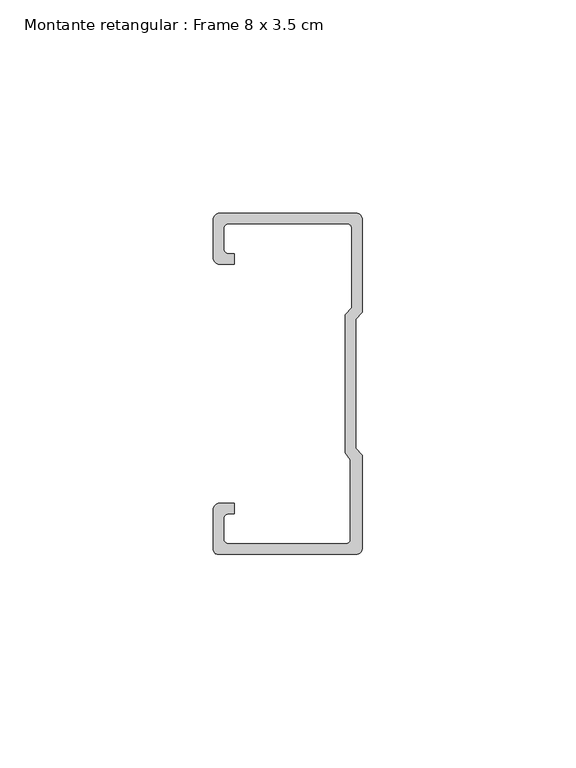
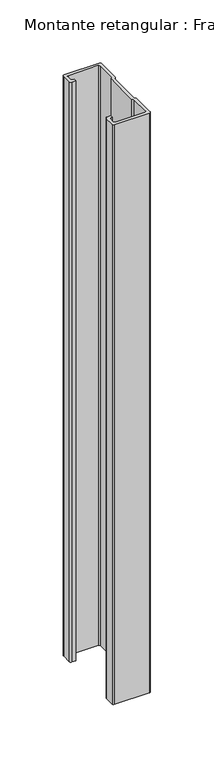
"""IFC4 building model written with IfcOpenShell, lengths in millimetres: member geometry, Montante retangular : Frame 8 x 3.5 cm."""

from ifc_helpers import new_model, si_unit, point, frame, frame_2d, origin, place, context, project, spatial, polyline, circle_curve, trimmed, segment, composite_curve, outline, extrude, source, transform, mapped, element, save


def montante_retangular_frame_8_x_3_5_cm_41d3003e(model_context):
    return source(origin(), model_context, "Body", "SweptSolid", [
        extrude(outline(composite_curve([segment(polyline([(-35.0, 29.5276505), (-35.0, 38.5)]), True, "CONTINUOUS"), segment(trimmed(circle_curve(frame_2d((-33.5, 38.5)), 1.5), [point((-35.0, 38.5))], [point((-33.5, 40.0))], False, "CARTESIAN"), True, "CONTINUOUS"), segment(polyline([(-33.5, 40.0), (-1.5, 40.0)]), True, "CONTINUOUS"), segment(trimmed(circle_curve(frame_2d((-1.5, 38.5)), 1.5), [point((-1.5, 40.0))], [point((0.0, 38.5))], False, "CARTESIAN"), True, "CONTINUOUS"), segment(polyline([(0.0, 38.5), (0.0, 16.7622662), (-1.5877131, 15.174553), (-1.5877131, -15.174553), (0.0, -16.7622662), (0.0, -38.5)]), True, "CONTINUOUS"), segment(trimmed(circle_curve(frame_2d((-1.5, -38.5)), 1.5), [point((0.0, -38.5))], [point((-1.5, -40.0))], False, "CARTESIAN"), True, "CONTINUOUS"), segment(polyline([(-1.5, -40.0), (-33.8171833, -40.0)]), True, "CONTINUOUS"), segment(trimmed(circle_curve(frame_2d((-33.8171833, -38.8171833)), 1.1828167), [point((-33.8171833, -40.0))], [point((-35.0, -38.8171833))], False, "CARTESIAN"), True, "CONTINUOUS"), segment(polyline([(-35.0, -38.8171833), (-35.0, -29.5276505)]), True, "CONTINUOUS"), segment(trimmed(circle_curve(frame_2d((-33.5, -29.5276505)), 1.5), [point((-35.0, -29.5276505))], [point((-33.5, -28.0276505))], False, "CARTESIAN"), True, "CONTINUOUS"), segment(polyline([(-33.5, -28.0276505), (-30.0162256, -28.0276505), (-30.0162256, -30.5276505), (-31.5, -30.5276505)]), True, "CONTINUOUS"), segment(trimmed(circle_curve(frame_2d((-31.5, -31.5276505)), 1.0), [point((-31.5, -30.5276505))], [point((-32.5, -31.5276505))], True, "CARTESIAN"), True, "CONTINUOUS"), segment(polyline([(-32.5, -31.5276505), (-32.5, -36.5)]), True, "CONTINUOUS"), segment(trimmed(circle_curve(frame_2d((-31.5, -36.5)), 1.0), [point((-32.5, -36.5))], [point((-31.5, -37.5))], True, "CARTESIAN"), True, "CONTINUOUS"), segment(polyline([(-31.5, -37.5), (-3.807214, -37.5)]), True, "CONTINUOUS"), segment(trimmed(circle_curve(frame_2d((-3.807214, -36.5)), 1.0), [point((-3.807214, -37.5))], [point((-2.807214, -36.5))], True, "CARTESIAN"), True, "CONTINUOUS"), segment(polyline([(-2.807214, -36.5), (-2.807214, -17.7671948), (-4.0877131, -16.1794816), (-4.0877131, 16.2100869), (-2.5, 17.7978001), (-2.5, 36.5)]), True, "CONTINUOUS"), segment(trimmed(circle_curve(frame_2d((-3.5, 36.5)), 1.0), [point((-2.5, 36.5))], [point((-3.5, 37.5))], True, "CARTESIAN"), True, "CONTINUOUS"), segment(polyline([(-3.5, 37.5), (-31.5, 37.5)]), True, "CONTINUOUS"), segment(trimmed(circle_curve(frame_2d((-31.5, 36.5)), 1.0), [point((-31.5, 37.5))], [point((-32.5, 36.5))], True, "CARTESIAN"), True, "CONTINUOUS"), segment(polyline([(-32.5, 36.5), (-32.5, 31.5276505)]), True, "CONTINUOUS"), segment(trimmed(circle_curve(frame_2d((-31.5, 31.5276505)), 1.0), [point((-32.5, 31.5276505))], [point((-31.5, 30.5276505))], True, "CARTESIAN"), True, "CONTINUOUS"), segment(polyline([(-31.5, 30.5276505), (-30.0162256, 30.5276505), (-30.0162256, 28.0276505), (-33.5, 28.0276505)]), True, "CONTINUOUS"), segment(trimmed(circle_curve(frame_2d((-33.5, 29.5276505)), 1.5), [point((-33.5, 28.0276505))], [point((-35.0, 29.5276505))], False, "CARTESIAN"), True, "CONTINUOUS")], self_intersect=False)), frame((0.0, 0.0, -565.0), z_axis=(0.0, 0.0, 1.0), x_axis=(1.0, 0.0, 0.0)), (0.0, 0.0, 1.0), 565.0),
    ])


if __name__ == "__main__":
    model = new_model("IFC4")
    model_context = context("Model", 3, world=origin())
    ifc_project = project(units=[si_unit("LENGTHUNIT", "METRE", prefix="MILLI")], contexts=[model_context])
    site = spatial("IfcSite", under=ifc_project)
    building = spatial("IfcBuilding", under=site)
    placement = place(None, origin())
    montante_retangular_frame_8_x_3_5_cm_shape = montante_retangular_frame_8_x_3_5_cm_41d3003e(model_context)
    element("IfcMember", 1, ObjectType="Montante retangular : Frame 8 x 3.5 cm", at=placement, inside=building, context=model_context, shape_type="MappedRepresentation", body=[
        mapped(montante_retangular_frame_8_x_3_5_cm_shape, transform((0.0, 0.0, 0.0), x_axis=(1.0, 0.0, 0.0), y_axis=(0.0, 1.0, 0.0), z_axis=(0.0, 0.0, 1.0))),
    ])
    save(model, "model.ifc")
